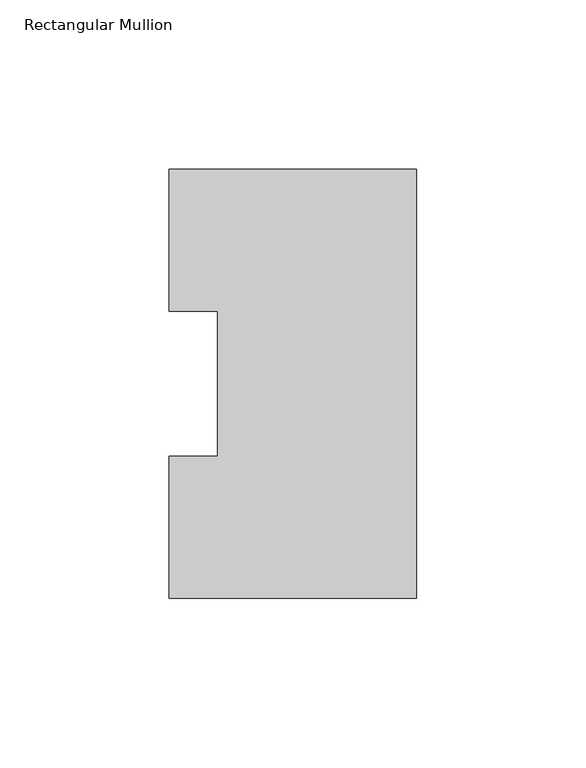
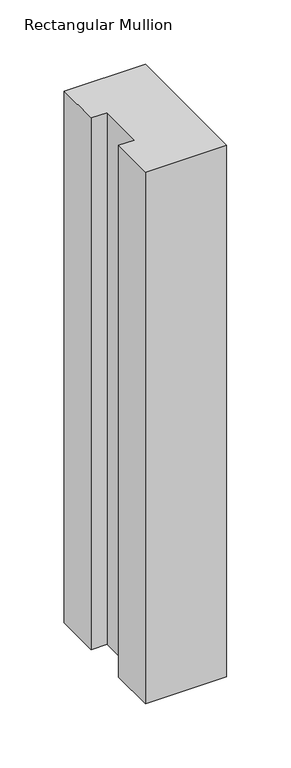
"""IFC4 building model written with IfcOpenShell, lengths in millimetres: member geometry, Rectangular Mullion."""

from ifc_helpers import new_model, si_unit, frame, origin, place, context, project, spatial, polyline, outline, extrude, source, transform, mapped, element, save


def rectangular_mullion_11fa17f7(model_context):
    return source(origin(), model_context, "Body", "SweptSolid", [
        extrude(outline(polyline([(0.0, 126.4546938), (0.0, -0.0373062), (-73.025, -0.0373062), (-73.025, 41.7837937), (-58.7375, 41.7837937), (-58.7375, 84.6335937), (-73.025, 84.6335937), (-73.025, 126.4546938), (0.0, 126.4546938)])), frame((0.0, 0.0, -504.8247287), z_axis=(0.0, 0.0, 1.0), x_axis=(1.0, 0.0, 0.0)), (0.0, 0.0, 1.0), 504.8247287),
    ])


if __name__ == "__main__":
    model = new_model("IFC4")
    model_context = context("Model", 3, world=origin())
    ifc_project = project(units=[si_unit("LENGTHUNIT", "METRE", prefix="MILLI")], contexts=[model_context])
    site = spatial("IfcSite", under=ifc_project)
    building = spatial("IfcBuilding", under=site)
    placement = place(None, origin())
    rectangular_mullion_shape = rectangular_mullion_11fa17f7(model_context)
    element("IfcMember", 1, ObjectType="Rectangular Mullion", at=placement, inside=building, context=model_context, shape_type="MappedRepresentation", body=[
        mapped(rectangular_mullion_shape, transform((0.0, 0.0, 0.0), x_axis=(1.0, 0.0, 0.0), y_axis=(0.0, 1.0, 0.0), z_axis=(0.0, 0.0, 1.0))),
    ])
    save(model, "model.ifc")
